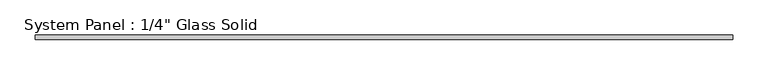
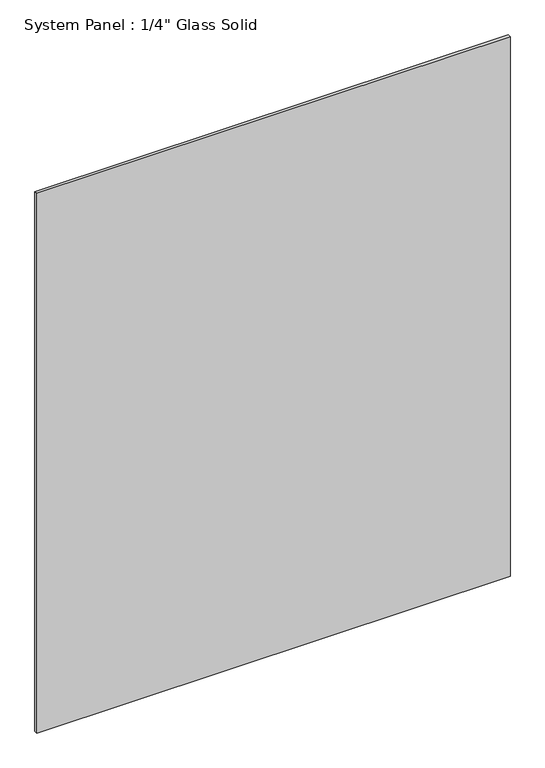
"""IFC4 building model written with IfcOpenShell, lengths in millimetres: plate geometry."""

from ifc_helpers import new_model, si_unit, origin, origin_with_axes, place, context, project, spatial, polyline, outline, extrude, source, transform, mapped, element, save


def plate_74a3084d(model_context):
    return source(origin(), model_context, "Body", "SweptSolid", [
        extrude(outline(polyline([(495.3008852, -3.175), (-495.3008852, -3.175), (-495.3008852, 3.175), (495.3008852, 3.175), (495.3008852, -3.175)])), origin_with_axes(), (0.0, 0.0, 1.0), 1193.8017704),
    ])


if __name__ == "__main__":
    model = new_model("IFC4")
    model_context = context("Model", 3, world=origin())
    ifc_project = project(units=[si_unit("LENGTHUNIT", "METRE", prefix="MILLI")], contexts=[model_context])
    site = spatial("IfcSite", under=ifc_project)
    building = spatial("IfcBuilding", under=site)
    placement = place(None, origin())
    plate_shape = plate_74a3084d(model_context)
    element("IfcPlate", 1, ObjectType="System Panel : 1/4\" Glass Solid", at=placement, inside=building, context=model_context, shape_type="MappedRepresentation", body=[
        mapped(plate_shape, transform((0.0, 0.0, 0.0), x_axis=(1.0, 0.0, 0.0), y_axis=(0.0, 1.0, 0.0), z_axis=(0.0, 0.0, 1.0))),
    ])
    save(model, "model.ifc")
